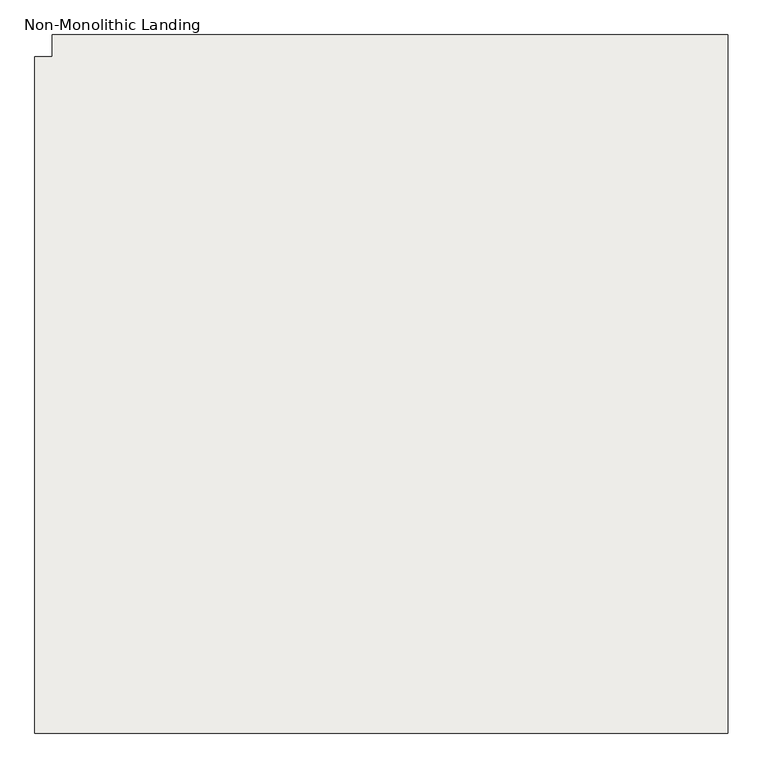
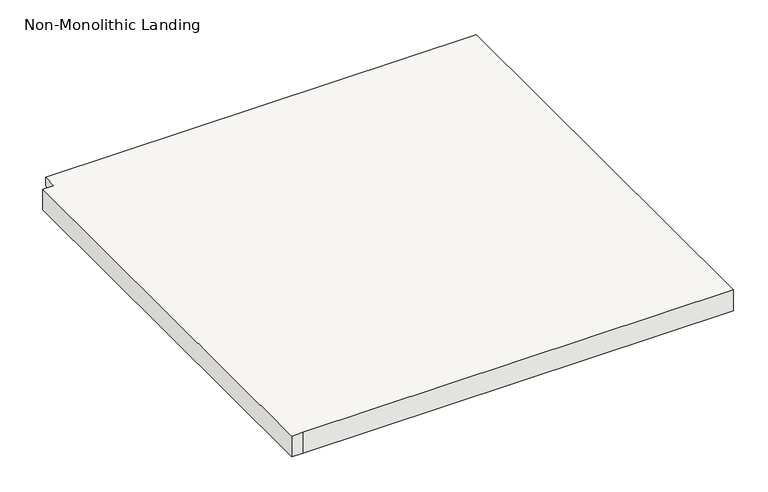
"""IFC4 building model written with IfcOpenShell, lengths in millimetres: slab geometry, Non-Monolithic Landing."""

from ifc_helpers import new_model, si_unit, origin, place, context, project, spatial, faceted_brep, source, transform, mapped, element, save


def non_monolithic_landing_05dcbeb1(model_context):
    return source(origin(), model_context, "Body", "Brep", [
        faceted_brep([(-2658.5854491, -5685.3937808, 2080.0), (-2683.9854491, -5685.3937808, 2080.0), (-2683.9854491, -6685.3937808, 2080.0), (-2658.5854491, -6685.3937808, 2080.0), (-1658.5854491, -6685.3937808, 2080.0), (-1658.5854491, -5652.8937808, 2080.0), (-2658.5854491, -5652.8937808, 2080.0), (-2658.5854491, -5678.2937808, 2029.2), (-1658.5854491, -5678.2937808, 2029.2), (-1658.5854491, -6685.3937808, 2029.2), (-2658.5854491, -6685.3937808, 2029.2), (-2683.9854491, -6685.3937808, 2029.2), (-2683.9854491, -5685.3937808, 2029.2), (-2658.5854491, -5685.3937808, 2029.2), (-2658.5854491, -5678.2937808, 2035.55), (-1658.5854491, -5678.2937808, 2035.55), (-2658.5854491, -5652.8937808, 2060.95), (-1658.5854491, -5652.8937808, 2060.95)], [[[0, 1, 2, 3, 4, 5, 6]], [[7, 8, 9, 10, 11, 12, 13]], [[8, 7, 14, 15]], [[0, 6, 16, 14, 7, 13]], [[1, 0, 13, 12]], [[2, 1, 12, 11]], [[3, 2, 11, 10]], [[4, 3, 10, 9]], [[5, 4, 9, 8, 15, 17]], [[16, 6, 5, 17]], [[14, 16, 17, 15]]]),
    ])


if __name__ == "__main__":
    model = new_model("IFC4")
    model_context = context("Model", 3, world=origin())
    ifc_project = project(units=[si_unit("LENGTHUNIT", "METRE", prefix="MILLI")], contexts=[model_context])
    site = spatial("IfcSite", under=ifc_project)
    building = spatial("IfcBuilding", under=site)
    placement = place(None, origin())
    non_monolithic_landing_shape = non_monolithic_landing_05dcbeb1(model_context)
    element("IfcSlab", 1, ObjectType="Non-Monolithic Landing", at=placement, inside=building, context=model_context, shape_type="MappedRepresentation", body=[
        mapped(non_monolithic_landing_shape, transform((0.0, 0.0, 0.0), x_axis=(1.0, 0.0, 0.0), y_axis=(0.0, 1.0, 0.0), z_axis=(0.0, 0.0, 1.0))),
    ])
    save(model, "model.ifc")
